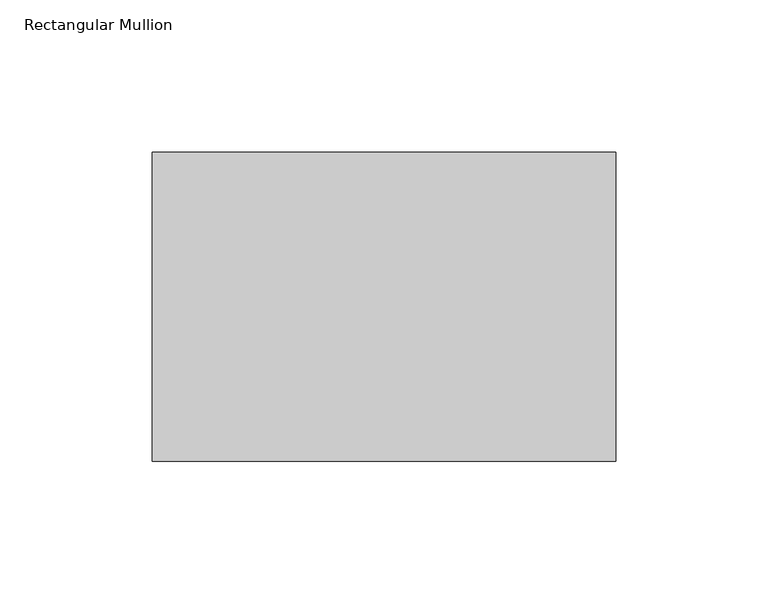
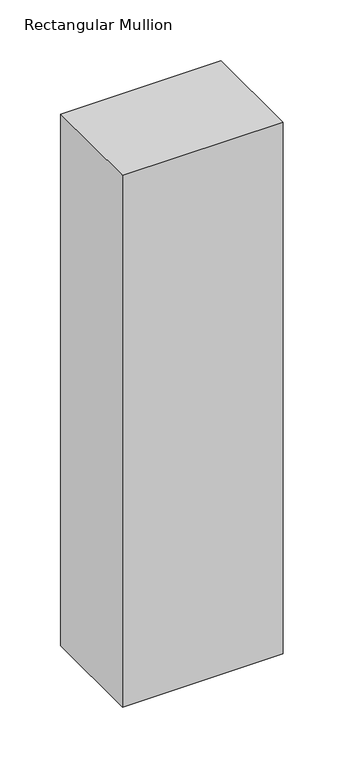
"""IFC4 building model written with IfcOpenShell, lengths in millimetres: member geometry, Rectangular Mullion."""

from ifc_helpers import new_model, si_unit, frame, origin, place, context, project, spatial, polyline, outline, extrude, source, transform, mapped, element, save


def rectangular_mullion_dfeb0940(model_context):
    return source(origin(), model_context, "Body", "SweptSolid", [
        extrude(outline(polyline([(127.0, 82.55), (127.0, -19.05), (-25.4, -19.05), (-25.4, 82.55), (127.0, 82.55)])), frame((0.0, 0.0, -533.4), z_axis=(0.0, 0.0, 1.0), x_axis=(1.0, 0.0, 0.0)), (0.0, 0.0, 1.0), 533.4),
    ])


if __name__ == "__main__":
    model = new_model("IFC4")
    model_context = context("Model", 3, world=origin())
    ifc_project = project(units=[si_unit("LENGTHUNIT", "METRE", prefix="MILLI")], contexts=[model_context])
    site = spatial("IfcSite", under=ifc_project)
    building = spatial("IfcBuilding", under=site)
    placement = place(None, origin())
    rectangular_mullion_shape = rectangular_mullion_dfeb0940(model_context)
    element("IfcMember", 1, ObjectType="Rectangular Mullion", at=placement, inside=building, context=model_context, shape_type="MappedRepresentation", body=[
        mapped(rectangular_mullion_shape, transform((0.0, 0.0, 0.0), x_axis=(1.0, 0.0, 0.0), y_axis=(0.0, 1.0, 0.0), z_axis=(0.0, 0.0, 1.0))),
    ])
    save(model, "model.ifc")
